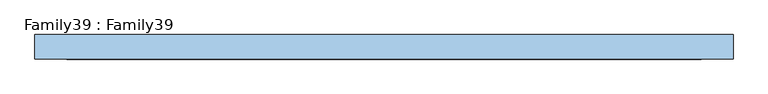
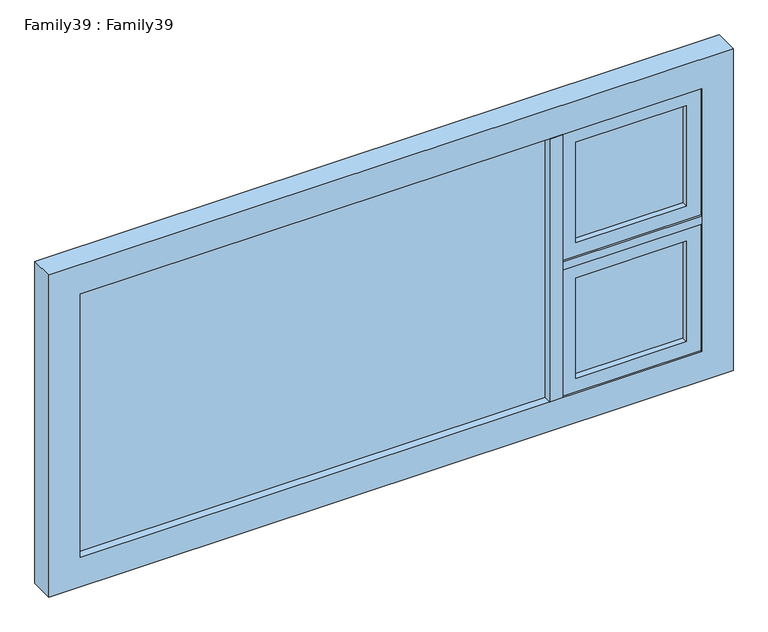
"""IFC4 building model written with IfcOpenShell, lengths in millimetres: window geometry, Family39 : Family39."""

from ifc_helpers import new_model, si_unit, frame, origin, place, context, project, spatial, polyline, outline, extrude, source, transform, mapped, element, save


def family39_family39_0698d1b9(model_context):
    return source(origin(), model_context, "Body", "SweptSolid", [
        extrude(outline(polyline([(1036.0, 14.0), (1036.0, 10.0), (650.0, 10.0), (650.0, 14.0), (1036.0, 14.0)])), frame((0.0, 0.0, 959.0), z_axis=(0.0, 0.0, 1.0), x_axis=(1.0, 0.0, 0.0)), (0.0, 0.0, 1.0), 371.0),
        extrude(outline(polyline([(650.0, -14.0), (650.0, -10.0), (1036.0, -10.0), (1036.0, -14.0), (650.0, -14.0)])), frame((0.0, 0.0, 959.0), z_axis=(0.0, 0.0, 1.0), x_axis=(1.0, 0.0, 0.0)), (0.0, 0.0, 1.0), 371.0),
        extrude(outline(polyline([(1380.0, 1086.0), (1380.0, 600.0), (909.0, 600.0), (909.0, 1086.0), (1380.0, 1086.0)]), holes=[polyline([(959.0, 650.0), (1330.0, 650.0), (1330.0, 1036.0), (959.0, 1036.0), (959.0, 650.0)])]), frame((0.0, -35.5110303, 0.0), z_axis=(0.0, 1.0, 0.0), x_axis=(0.0, 0.0, 1.0)), (0.0, 0.0, 1.0), 70.4146297),
        extrude(outline(polyline([(553.8050141, 14.0), (553.8050141, 10.0), (-1086.0, 10.0), (-1086.0, 14.0), (553.8050141, 14.0)])), frame((0.0, 0.0, 909.0), z_axis=(0.0, 0.0, 1.0), x_axis=(1.0, 0.0, 0.0)), (0.0, 0.0, 1.0), 972.0),
        extrude(outline(polyline([(-1086.0, -14.0), (-1086.0, -10.0), (553.8050141, -10.0), (553.8050141, -14.0), (-1086.0, -14.0)])), frame((0.0, 0.0, 909.0), z_axis=(0.0, 0.0, 1.0), x_axis=(1.0, 0.0, 0.0)), (0.0, 0.0, 1.0), 972.0),
        extrude(outline(polyline([(600.0, -42.0), (553.8050141, -42.0), (553.8050141, 42.0), (600.0, 42.0), (600.0, -42.0)])), frame((0.0, 0.0, 909.0), z_axis=(0.0, 0.0, 1.0), x_axis=(1.0, 0.0, 0.0)), (0.0, 0.0, 1.0), 972.0),
        extrude(outline(polyline([(1990.0, 1195.0), (1990.0, -1195.0), (800.0, -1195.0), (800.0, 1195.0), (1990.0, 1195.0)]), holes=[polyline([(909.0, 1086.0), (909.0, -1086.0), (1881.0, -1086.0), (1881.0, 1086.0), (909.0, 1086.0)])]), frame((0.0, -42.0, 0.0), z_axis=(0.0, 1.0, 0.0), x_axis=(0.0, 0.0, 1.0)), (0.0, 0.0, 1.0), 84.0),
        extrude(outline(polyline([(1086.0, -42.0), (600.0, -42.0), (600.0, 42.0), (1086.0, 42.0), (1086.0, -42.0)])), frame((0.0, 0.0, 1380.0), z_axis=(0.0, 0.0, 1.0), x_axis=(1.0, 0.0, 0.0)), (0.0, 0.0, 1.0), 30.0),
        extrude(outline(polyline([(1036.0, 14.0), (1036.0, 10.0), (650.0, 10.0), (650.0, 14.0), (1036.0, 14.0)])), frame((0.0, 0.0, 1460.0), z_axis=(0.0, 0.0, 1.0), x_axis=(1.0, 0.0, 0.0)), (0.0, 0.0, 1.0), 371.0),
        extrude(outline(polyline([(650.0, -14.0), (650.0, -10.0), (1036.0, -10.0), (1036.0, -14.0), (650.0, -14.0)])), frame((0.0, 0.0, 1460.0), z_axis=(0.0, 0.0, 1.0), x_axis=(1.0, 0.0, 0.0)), (0.0, 0.0, 1.0), 371.0),
        extrude(outline(polyline([(1881.0, 1086.0), (1881.0, 600.0), (1410.0, 600.0), (1410.0, 1086.0), (1881.0, 1086.0)]), holes=[polyline([(1460.0, 650.0), (1831.0, 650.0), (1831.0, 1036.0), (1460.0, 1036.0), (1460.0, 650.0)])]), frame((0.0, -35.5110303, 0.0), z_axis=(0.0, 1.0, 0.0), x_axis=(0.0, 0.0, 1.0)), (0.0, 0.0, 1.0), 70.4146297),
    ])


if __name__ == "__main__":
    model = new_model("IFC4")
    model_context = context("Model", 3, world=origin())
    ifc_project = project(units=[si_unit("LENGTHUNIT", "METRE", prefix="MILLI")], contexts=[model_context])
    site = spatial("IfcSite", under=ifc_project)
    building = spatial("IfcBuilding", under=site)
    placement = place(None, origin())
    family39_family39_shape = family39_family39_0698d1b9(model_context)
    element("IfcWindow", 1, ObjectType="Family39 : Family39", at=placement, inside=building, context=model_context, shape_type="MappedRepresentation", body=[
        mapped(family39_family39_shape, transform((0.0, 0.0, 0.0), x_axis=(1.0, 0.0, 0.0), y_axis=(0.0, 1.0, 0.0), z_axis=(0.0, 0.0, 1.0))),
    ])
    save(model, "model.ifc")
